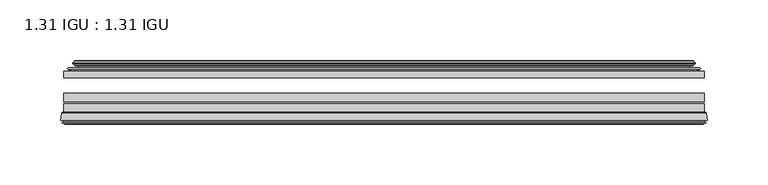
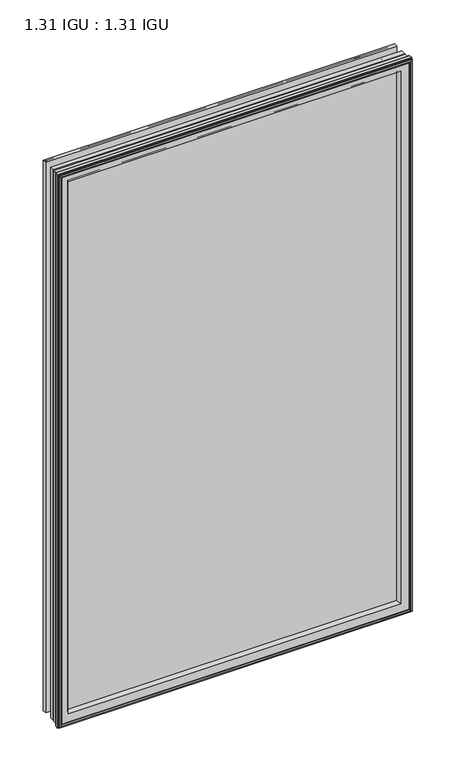
"""IFC4 building model written with IfcOpenShell, lengths in millimetres: plate geometry, 1.31 IGU : 1.31 IGU."""

from ifc_helpers import new_model, si_unit, frame, origin, place, context, project, spatial, polyline, ellipse_curve, outline, extrude, source, transform, mapped, element, save
from ifc_brep_helpers import plane_surface, cylinder_surface, revolved_surface, advanced_brep


def plate_1_31_igu_1_31_igu_83c2d377(model_context):
    return source(origin(), model_context, "Body", "SolidModel", [
        extrude(outline(polyline([(263.5203362, -44.8960875), (263.5203362, -50.4332875), (-263.5252713, -50.4332875), (-263.5252713, -44.8960875), (263.5203362, -44.8960875)])), frame((0.0, 0.0, -14.2875), z_axis=(0.0, 0.0, 1.0), x_axis=(1.0, 0.0, 0.0)), (0.0, 0.0, 1.0), 873.125),
        extrude(outline(polyline([(-263.5252713, -78.7796875), (-263.5252713, -71.7692875), (263.5203362, -71.7692875), (263.5203362, -78.7796875), (-263.5252713, -78.7796875)])), frame((0.0, 0.0, -14.2875), z_axis=(0.0, 0.0, 1.0), x_axis=(1.0, 0.0, 0.0)), (0.0, 0.0, 1.0), 873.125),
        extrude(outline(polyline([(-263.5252713, -70.2452875), (-263.5252713, -63.1332875), (263.5203362, -63.1332875), (263.5203362, -70.2452875), (-263.5252713, -70.2452875)])), frame((0.0, 0.0, -14.2875), z_axis=(0.0, 0.0, 1.0), x_axis=(1.0, 0.0, 0.0)), (0.0, 0.0, 1.0), 873.125),
        advanced_brep(
        [(-266.0721752, -85.1296875, 861.3844039), (-265.3773914, -79.4711276, 860.6896201), (-265.3773914, -79.4711276, -16.1396201), (-266.0721752, -85.1296875, -16.8344039), (-263.6845752, -87.1207518, 858.9968039), (-264.1417752, -85.1296875, 859.4540039), (-264.1417752, -85.1296875, -14.9040039), (-263.6845752, -87.1207518, -14.4468039), (-264.6859371, -86.8524376, 859.9981658), (-264.6859371, -86.8524376, -15.4481658), (-264.9291752, -87.7602147, 860.2414039), (-264.9291752, -87.7602147, -15.6914039), (-262.8971752, -88.3046875, 858.2094039), (-262.8971752, -88.3046875, -13.6594039), (-260.8651752, -87.7602147, 856.1774039), (-260.8651752, -87.7602147, -11.6274039), (-261.1084133, -86.8524376, 856.4206421), (-261.1084133, -86.8524376, -11.8706421), (-262.1097752, -87.1207518, 857.4220039), (-262.1097752, -87.1207518, -12.8720039), (-261.6525752, -85.1296875, 856.9648039), (-261.6525752, -85.1296875, -12.4148039), (-264.5958606, -78.7796875, 859.9080893), (-264.5958606, -78.7796875, -15.3580893), (265.3773914, -79.4711276, -16.1396201), (266.0721752, -85.1296875, -16.8344039), (264.1417752, -85.1296875, -14.9040039), (263.6845752, -87.1207518, -14.4468039), (264.6859371, -86.8524376, -15.4481658), (264.9291752, -87.7602147, -15.6914039), (262.8971752, -88.3046875, -13.6594039), (260.8651752, -87.7602147, -11.6274039), (261.1084133, -86.8524376, -11.8706421), (262.1097752, -87.1207518, -12.8720039), (261.6525752, -85.1296875, -12.4148039), (264.5958606, -78.7796875, -15.3580893), (265.3773914, -79.4711276, 860.6896201), (266.0721752, -85.1296875, 861.3844039), (264.1417752, -85.1296875, 859.4540039), (263.6845752, -87.1207518, 858.9968039), (264.6859371, -86.8524376, 859.9981658), (264.9291752, -87.7602147, 860.2414039), (262.8971752, -88.3046875, 858.2094039), (260.8651752, -87.7602147, 856.1774039), (261.1084133, -86.8524376, 856.4206421), (262.1097752, -87.1207518, 857.4220039), (261.6525752, -85.1296875, 856.9648039), (264.5958606, -78.7796875, 859.9080893), (-249.2499844, -85.1296875, 844.5622131), (249.2499844, -85.1296875, 844.5622131), (249.2499844, -85.1296875, -0.0122131), (-249.2499844, -85.1296875, -0.0122131), (-245.9337075, -78.7796875, 3.3040638), (245.9337075, -78.7796875, 3.3040638), (245.9337075, -78.7796875, 841.2459362), (-245.9337075, -78.7796875, 841.2459362)],
        [
            (0, 1),
            (1, 2),
            (2, 3),
            (3, 0),
            (4, 5),
            (5, 6),
            (6, 7),
            (7, 4),
            (8, 4),
            (7, 9),
            (9, 8),
            (10, 8),
            (9, 11),
            (11, 10),
            (12, 10),
            (11, 13),
            (13, 12),
            (14, 12),
            (13, 15),
            (15, 14),
            (16, 14),
            (15, 17),
            (17, 16),
            (18, 16),
            (17, 19),
            (19, 18),
            (20, 18),
            (19, 21),
            (21, 20),
            (1, 22, ellipse_curve(frame((-264.5958606, -79.5670875, 859.9080893), z_axis=(-0.7071067811865475, 0.0, -0.7071067811865475), x_axis=(-0.7071067811865474, 0.0, 0.7071067811865476)), 1.1135518, 0.7874)),
            (22, 23),
            (23, 2, ellipse_curve(frame((-264.5958606, -79.5670875, -15.3580893), z_axis=(-0.7071067811865475, 0.0, 0.7071067811865475), x_axis=(0.7071067811865474, 0.0, 0.7071067811865476)), 1.1135518, 0.7874)),
            (2, 24),
            (24, 25),
            (25, 3),
            (6, 26),
            (26, 27),
            (27, 7),
            (27, 28),
            (28, 9),
            (28, 29),
            (29, 11),
            (29, 30),
            (30, 13),
            (30, 31),
            (31, 15),
            (31, 32),
            (32, 17),
            (32, 33),
            (33, 19),
            (33, 34),
            (34, 21),
            (23, 35),
            (35, 24, ellipse_curve(frame((264.5958606, -79.5670875, -15.3580893), z_axis=(-0.7071067811865475, 0.0, -0.7071067811865475), x_axis=(-0.7071067811865476, 0.0, 0.7071067811865474)), 1.1135518, 0.7874)),
            (24, 36),
            (36, 37),
            (37, 25),
            (26, 38),
            (38, 39),
            (39, 27),
            (39, 40),
            (40, 28),
            (40, 41),
            (41, 29),
            (41, 42),
            (42, 30),
            (42, 43),
            (43, 31),
            (43, 44),
            (44, 32),
            (44, 45),
            (45, 33),
            (45, 46),
            (46, 34),
            (35, 47),
            (47, 36, ellipse_curve(frame((264.5958606, -79.5670875, 859.9080893), z_axis=(0.7071067811865475, 0.0, -0.7071067811865475), x_axis=(-0.7071067811865474, 0.0, -0.7071067811865476)), 1.1135518, 0.7874)),
            (36, 1),
            (0, 37),
            (5, 38),
            (4, 39),
            (8, 40),
            (10, 41),
            (12, 42),
            (14, 43),
            (16, 44),
            (18, 45),
            (20, 46),
            (48, 49),
            (49, 50),
            (50, 51),
            (51, 48),
            (22, 47),
            (52, 53),
            (53, 54),
            (54, 55),
            (55, 52),
            (55, 48, ellipse_curve(frame((-238.0006895, -86.963653, 833.3129182), z_axis=(0.7071067811865475, 0.0, 0.7071067811865475), x_axis=(0.7071067811865474, 0.0, -0.7071067811865476)), 16.118937, 11.3978097)),
            (51, 52, ellipse_curve(frame((-238.0006895, -86.963653, 11.2370818), z_axis=(0.7071067811865475, 0.0, -0.7071067811865475), x_axis=(-0.7071067811865474, 0.0, -0.7071067811865476)), 16.118937, 11.3978097)),
            (50, 53, ellipse_curve(frame((238.0006895, -86.963653, 11.2370818), z_axis=(0.7071067811865475, 0.0, 0.7071067811865475), x_axis=(0.7071067811865476, 0.0, -0.7071067811865474)), 16.118937, 11.3978097)),
            (49, 54, ellipse_curve(frame((238.0006895, -86.963653, 833.3129182), z_axis=(-0.7071067811865475, 0.0, 0.7071067811865475), x_axis=(0.7071067811865474, 0.0, 0.7071067811865476)), 16.118937, 11.3978097)),
        ],
        [
            plane_surface(frame((-265.3773914, -79.4711276, 860.6896201), z_axis=(-0.9925461516413008, 0.1218693434053207, 0.0), x_axis=(0.0, 0.0, -1.0))),
            plane_surface(frame((-264.1417752, -85.1296875, 859.4540039), z_axis=(-0.9746347637895997, -0.22380142361654332, 0.0), x_axis=(0.0, 0.0, -1.0))),
            plane_surface(frame((-263.6845752, -87.1207518, 858.9968039), z_axis=(0.2588190451026679, 0.9659258262890289, 0.0), x_axis=(0.0, 0.0, -1.0))),
            plane_surface(frame((-264.6859371, -86.8524376, 859.9981658), z_axis=(-0.9659258262890449, 0.25881904510260834, 0.0), x_axis=(0.0, 0.0, -1.0))),
            plane_surface(frame((-264.9291752, -87.7602147, 860.2414039), z_axis=(-0.258819045102569, -0.9659258262890554, 0.0), x_axis=(0.0, 0.0, -1.0))),
            plane_surface(frame((-262.8971752, -88.3046875, 858.2094039), z_axis=(0.2588190451024146, -0.9659258262890968, 0.0), x_axis=(0.0, 0.0, -1.0))),
            plane_surface(frame((-260.8651752, -87.7602147, 856.1774039), z_axis=(0.9659258262890272, 0.258819045102674, 0.0), x_axis=(0.0, 0.0, -1.0))),
            plane_surface(frame((-261.1084133, -86.8524376, 856.4206421), z_axis=(-0.2588190451023417, 0.9659258262891163, 0.0), x_axis=(0.0, 0.0, -1.0))),
            plane_surface(frame((-262.1097752, -87.1207518, 857.4220039), z_axis=(0.9746347637895936, -0.2238014236165695, 0.0), x_axis=(0.0, 0.0, -1.0))),
            cylinder_surface(frame((-264.5958606, -79.5670875, 876.3), z_axis=(0.0, 0.0, 1.0), x_axis=(-1.0, 0.0, 0.0)), 0.7874),
            plane_surface(frame((-265.3773914, -79.4711276, -16.1396201), z_axis=(0.0, 0.12186934340531747, -0.9925461516413012), x_axis=(1.0, 0.0, 0.0))),
            plane_surface(frame((-264.1417752, -85.1296875, -14.9040039), z_axis=(0.0, -0.22380142361654648, -0.9746347637895989), x_axis=(1.0, 0.0, 0.0))),
            plane_surface(frame((-263.6845752, -87.1207518, -14.4468039), z_axis=(0.0, 0.9659258262890298, 0.25881904510266474), x_axis=(1.0, 0.0, 0.0))),
            plane_surface(frame((-264.6859371, -86.8524376, -15.4481658), z_axis=(0.0, 0.25881904510260517, -0.9659258262890458), x_axis=(1.0, 0.0, 0.0))),
            plane_surface(frame((-264.9291752, -87.7602147, -15.6914039), z_axis=(0.0, -0.9659258262890563, -0.2588190451025658), x_axis=(1.0, 0.0, 0.0))),
            plane_surface(frame((-262.8971752, -88.3046875, -13.6594039), z_axis=(0.0, -0.965925826289096, 0.25881904510241777), x_axis=(1.0, 0.0, 0.0))),
            plane_surface(frame((-260.8651752, -87.7602147, -11.6274039), z_axis=(0.0, 0.2588190451026772, 0.9659258262890265), x_axis=(1.0, 0.0, 0.0))),
            plane_surface(frame((-261.1084133, -86.8524376, -11.8706421), z_axis=(0.0, 0.9659258262891154, -0.2588190451023449), x_axis=(1.0, 0.0, 0.0))),
            plane_surface(frame((-262.1097752, -87.1207518, -12.8720039), z_axis=(0.0, -0.22380142361656633, 0.9746347637895943), x_axis=(1.0, 0.0, 0.0))),
            cylinder_surface(frame((-280.9877713, -79.5670875, -15.3580893), z_axis=(-1.0, 0.0, 0.0), x_axis=(0.0, 0.0, -1.0)), 0.7874),
            plane_surface(frame((265.3773914, -79.4711276, -16.1396201), z_axis=(0.9925461516413017, 0.12186934340531423, 0.0), x_axis=(0.0, 0.0, 1.0))),
            plane_surface(frame((264.1417752, -85.1296875, -14.9040039), z_axis=(0.9746347637895981, -0.22380142361654964, 0.0), x_axis=(0.0, 0.0, 1.0))),
            plane_surface(frame((263.6845752, -87.1207518, -14.4468039), z_axis=(-0.25881904510266157, 0.9659258262890307, 0.0), x_axis=(0.0, 0.0, 1.0))),
            plane_surface(frame((264.6859371, -86.8524376, -15.4481658), z_axis=(0.9659258262890467, 0.258819045102602, 0.0), x_axis=(0.0, 0.0, 1.0))),
            plane_surface(frame((264.9291752, -87.7602147, -15.6914039), z_axis=(0.25881904510256265, -0.9659258262890572, 0.0), x_axis=(0.0, 0.0, 1.0))),
            plane_surface(frame((262.8971752, -88.3046875, -13.6594039), z_axis=(-0.25881904510242093, -0.9659258262890951, 0.0), x_axis=(0.0, 0.0, 1.0))),
            plane_surface(frame((260.8651752, -87.7602147, -11.6274039), z_axis=(-0.9659258262890256, 0.2588190451026804, 0.0), x_axis=(0.0, 0.0, 1.0))),
            plane_surface(frame((261.1084133, -86.8524376, -11.8706421), z_axis=(0.2588190451023481, 0.9659258262891146, 0.0), x_axis=(0.0, 0.0, 1.0))),
            plane_surface(frame((262.1097752, -87.1207518, -12.8720039), z_axis=(-0.9746347637895951, -0.22380142361656316, 0.0), x_axis=(0.0, 0.0, 1.0))),
            cylinder_surface(frame((264.5958606, -79.5670875, -31.75), z_axis=(0.0, 0.0, -1.0), x_axis=(1.0, 0.0, 0.0)), 0.7874),
            plane_surface(frame((265.3773914, -79.4711276, 860.6896201), z_axis=(0.0, 0.12186934340531747, 0.9925461516413012), x_axis=(-1.0, 0.0, 0.0))),
            plane_surface(frame((266.0721752, -85.1296875, 861.3844039), z_axis=(0.0, -1.0, 0.0), x_axis=(-1.0, 0.0, 0.0))),
            plane_surface(frame((264.1417752, -85.1296875, 859.4540039), z_axis=(0.0, -0.22380142361654648, 0.9746347637895989), x_axis=(-1.0, 0.0, 0.0))),
            plane_surface(frame((263.6845752, -87.1207518, 858.9968039), z_axis=(0.0, 0.9659258262890298, -0.25881904510266474), x_axis=(-1.0, 0.0, 0.0))),
            plane_surface(frame((264.6859371, -86.8524376, 859.9981658), z_axis=(0.0, 0.25881904510260517, 0.9659258262890458), x_axis=(-1.0, 0.0, 0.0))),
            plane_surface(frame((264.9291752, -87.7602147, 860.2414039), z_axis=(0.0, -0.9659258262890563, 0.2588190451025658), x_axis=(-1.0, 0.0, 0.0))),
            plane_surface(frame((262.8971752, -88.3046875, 858.2094039), z_axis=(0.0, -0.965925826289096, -0.25881904510241777), x_axis=(-1.0, 0.0, 0.0))),
            plane_surface(frame((260.8651752, -87.7602147, 856.1774039), z_axis=(0.0, 0.2588190451026772, -0.9659258262890265), x_axis=(-1.0, 0.0, 0.0))),
            plane_surface(frame((261.1084133, -86.8524376, 856.4206421), z_axis=(0.0, 0.9659258262891155, 0.25881904510234494), x_axis=(-1.0, 0.0, 0.0))),
            plane_surface(frame((262.1097752, -87.1207518, 857.4220039), z_axis=(0.0, -0.22380142361656633, -0.9746347637895943), x_axis=(-1.0, 0.0, 0.0))),
            plane_surface(frame((261.6525752, -85.1296875, 856.9648039), z_axis=(0.0, -1.0, 0.0), x_axis=(-1.0, 0.0, 0.0))),
            plane_surface(frame((245.9337075, -78.7796875, 841.2459362), z_axis=(0.0, 1.0, 0.0), x_axis=(-1.0, 0.0, 0.0))),
            cylinder_surface(frame((280.9877713, -79.5670875, 859.9080893), z_axis=(1.0, 0.0, 0.0), x_axis=(0.0, 0.0, 1.0)), 0.7874),
            revolved_surface(polyline([(-249.3984992, -86.963653, -0.1607278582187064), (-249.3984992, -86.963653, 844.7107278582188)]), (-238.0006895, -86.963653, 876.3), (0.0, 0.0, -1.0)),
            revolved_surface(polyline([(249.39849915821873, -86.963653, -0.16072789999999948), (-249.39849915821873, -86.963653, -0.16072789999999948)]), (-280.9877713, -86.963653, 11.2370818), (1.0, 0.0, 0.0)),
            revolved_surface(polyline([(249.3984992, -86.963653, 844.7107278582188), (249.3984992, -86.963653, -0.16072785821874191)]), (238.0006895, -86.963653, -31.75), (0.0, 0.0, 1.0)),
            revolved_surface(polyline([(-249.39849915821873, -86.963653, 844.7107279), (249.39849915821873, -86.963653, 844.7107279)]), (280.9877713, -86.963653, 833.3129182), (-1.0, 0.0, 0.0)),
        ],
        [
            (0, [[1, 2, 3, 4]]),
            (1, [[5, 6, 7, 8]]),
            (2, [[9, -8, 10, 11]]),
            (3, [[12, -11, 13, 14]]),
            (4, [[15, -14, 16, 17]]),
            (5, [[18, -17, 19, 20]]),
            (6, [[21, -20, 22, 23]]),
            (7, [[24, -23, 25, 26]]),
            (8, [[27, -26, 28, 29]]),
            (9, [[30, 31, 32, -2]]),
            (10, [[-3, 33, 34, 35]]),
            (11, [[-7, 36, 37, 38]]),
            (12, [[-10, -38, 39, 40]]),
            (13, [[-13, -40, 41, 42]]),
            (14, [[-16, -42, 43, 44]]),
            (15, [[-19, -44, 45, 46]]),
            (16, [[-22, -46, 47, 48]]),
            (17, [[-25, -48, 49, 50]]),
            (18, [[-28, -50, 51, 52]]),
            (19, [[-32, 53, 54, -33]]),
            (20, [[-34, 55, 56, 57]]),
            (21, [[-37, 58, 59, 60]]),
            (22, [[-39, -60, 61, 62]]),
            (23, [[-41, -62, 63, 64]]),
            (24, [[-43, -64, 65, 66]]),
            (25, [[-45, -66, 67, 68]]),
            (26, [[-47, -68, 69, 70]]),
            (27, [[-49, -70, 71, 72]]),
            (28, [[-51, -72, 73, 74]]),
            (29, [[-54, 75, 76, -55]]),
            (30, [[-56, 77, -1, 78]]),
            (31, [[-35, -57, -78, -4], [79, -58, -36, -6]]),
            (32, [[-59, -79, -5, 80]]),
            (33, [[-61, -80, -9, 81]]),
            (34, [[-63, -81, -12, 82]]),
            (35, [[-65, -82, -15, 83]]),
            (36, [[-67, -83, -18, 84]]),
            (37, [[-69, -84, -21, 85]]),
            (38, [[-71, -85, -24, 86]]),
            (39, [[-73, -86, -27, 87]]),
            (40, [[-52, -74, -87, -29], [88, 89, 90, 91]]),
            (41, [[92, -75, -53, -31], [93, 94, 95, 96]]),
            (42, [[-76, -92, -30, -77]]),
            (43, [[97, -91, 98, -96]]),
            (44, [[-98, -90, 99, -93]]),
            (45, [[-99, -89, 100, -94]]),
            (46, [[-100, -88, -97, -95]]),
        ],
    ),
        advanced_brep(
        [(-254.1799468, -37.7373382, 849.4921755), (-249.2383138, -36.3108875, 844.5505426), (-249.2383138, -36.3108875, -0.0005426), (-254.1799468, -37.7373382, -4.9421755), (-254.0148415, -36.9605789, 849.3270702), (-254.0148415, -36.9605789, -4.7770702), (-254.6103272, -36.4771203, 849.9225559), (-254.6103272, -36.4771203, -5.3725559), (-255.874963, -37.766076, 851.1871917), (-255.874963, -37.766076, -6.6371917), (-255.8641462, -38.8797852, 851.1763749), (-255.8641462, -38.8797852, -6.6263749), (-254.582661, -40.1361433, 849.8948897), (-254.582661, -40.1361433, -5.3448897), (-253.9776542, -39.649943, 849.2898829), (-253.9776542, -39.649943, -4.7398829), (-254.5316684, -39.0959287, 849.8438972), (-254.5316684, -39.0959287, -5.2938972), (-252.24586, -38.7029881, 847.5580887), (-252.24586, -38.7029881, -3.0080887), (-250.7867869, -40.2107282, 846.0990157), (-250.7867869, -40.2107282, -1.5490157), (-251.0833689, -41.651269, 846.3955976), (-251.0833689, -41.651269, -1.8455976), (-251.8545933, -42.2798875, 847.1668221), (-251.8545933, -42.2798875, -2.6168221), (-260.1585697, -43.4871542, 855.4707984), (-259.8833682, -42.2798875, 855.1955969), (-259.8833682, -42.2798875, -10.6455969), (-260.1585697, -43.4871542, -10.9207984), (-256.701001, -44.8960875, 852.0132297), (-256.701001, -44.8960875, -7.4632297), (-245.6033772, -44.023302, 840.9156059), (-245.9587152, -44.8960875, 841.2709439), (-245.9587152, -44.8960875, 3.2790561), (-245.6033772, -44.023302, 3.6343941), (-246.2745752, -43.3681812, 841.586804), (-246.2745752, -43.3681812, 2.963196), (-247.9153658, -40.6686056, 843.2275946), (-247.9153658, -40.6686056, 1.3224054), (249.2383138, -36.3108875, -0.0005426), (254.1799468, -37.7373382, -4.9421755), (254.0148415, -36.9605789, -4.7770702), (254.6103272, -36.4771203, -5.3725559), (255.874963, -37.766076, -6.6371917), (255.8641462, -38.8797852, -6.6263749), (254.582661, -40.1361433, -5.3448897), (253.9776542, -39.649943, -4.7398829), (254.5316684, -39.0959287, -5.2938972), (252.24586, -38.7029881, -3.0080887), (250.7867869, -40.2107282, -1.5490157), (251.0833689, -41.651269, -1.8455976), (251.8545933, -42.2798875, -2.6168221), (259.8833682, -42.2798875, -10.6455969), (260.1585697, -43.4871542, -10.9207984), (256.701001, -44.8960875, -7.4632297), (245.9587152, -44.8960875, 3.2790561), (245.6033772, -44.023302, 3.6343941), (246.2745752, -43.3681812, 2.963196), (247.9153658, -40.6686056, 1.3224054), (249.2383138, -36.3108875, 844.5505426), (254.1799468, -37.7373382, 849.4921755), (254.0148415, -36.9605789, 849.3270702), (254.6103272, -36.4771203, 849.9225559), (255.874963, -37.766076, 851.1871917), (255.8641462, -38.8797852, 851.1763749), (254.582661, -40.1361433, 849.8948897), (253.9776542, -39.649943, 849.2898829), (254.5316684, -39.0959287, 849.8438972), (252.24586, -38.7029881, 847.5580887), (250.7867869, -40.2107282, 846.0990157), (251.0833689, -41.651269, 846.3955976), (251.8545933, -42.2798875, 847.1668221), (259.8833682, -42.2798875, 855.1955969), (260.1585697, -43.4871542, 855.4707984), (256.701001, -44.8960875, 852.0132297), (245.9587152, -44.8960875, 841.2709439), (245.6033772, -44.023302, 840.9156059), (246.2745752, -43.3681812, 841.586804), (247.9153658, -40.6686056, 843.2275946)],
        [
            (0, 1),
            (1, 2),
            (2, 3),
            (3, 0),
            (4, 0),
            (3, 5),
            (5, 4),
            (6, 4, ellipse_curve(frame((-254.3353584, -36.746901, 849.6475871), z_axis=(-0.7071067811865475, 0.0, -0.7071067811865475), x_axis=(-0.7071067811865474, 0.0, 0.7071067811865476)), 0.5447741, 0.3852135)),
            (5, 7, ellipse_curve(frame((-254.3353584, -36.746901, -5.0975871), z_axis=(-0.7071067811865475, 0.0, 0.7071067811865475), x_axis=(0.7071067811865474, 0.0, 0.7071067811865476)), 0.5447741, 0.3852135)),
            (7, 6),
            (8, 6),
            (7, 9),
            (9, 8),
            (10, 8, ellipse_curve(frame((-255.3129099, -38.3175243, 850.6251387), z_axis=(-0.7071067811865475, 0.0, -0.7071067811865475), x_axis=(-0.7071067811865474, 0.0, 0.7071067811865476)), 1.1135518, 0.7874)),
            (9, 11, ellipse_curve(frame((-255.3129099, -38.3175243, -6.0751387), z_axis=(-0.7071067811865475, 0.0, 0.7071067811865475), x_axis=(0.7071067811865474, 0.0, 0.7071067811865476)), 1.1135518, 0.7874)),
            (11, 10),
            (12, 10),
            (11, 13),
            (13, 12),
            (14, 12, ellipse_curve(frame((-254.3090635, -39.8570738, 849.6212922), z_axis=(-0.7071067811865475, 0.0, -0.7071067811865475), x_axis=(-0.7071067811865474, 0.0, 0.7071067811865476)), 0.552694, 0.3908137)),
            (13, 15, ellipse_curve(frame((-254.3090635, -39.8570738, -5.0712922), z_axis=(-0.7071067811865475, 0.0, 0.7071067811865475), x_axis=(0.7071067811865474, 0.0, 0.7071067811865476)), 0.552694, 0.3908137)),
            (15, 14),
            (16, 14),
            (15, 17),
            (17, 16),
            (18, 16),
            (17, 19),
            (19, 18),
            (20, 18, ellipse_curve(frame((-252.0306974, -39.954629, 847.3429261), z_axis=(0.7071067811865475, 0.0, 0.7071067811865475), x_axis=(0.7071067811865474, 0.0, -0.7071067811865476)), 1.7960512, 1.27)),
            (19, 21, ellipse_curve(frame((-252.0306974, -39.954629, -2.7929261), z_axis=(0.7071067811865475, 0.0, -0.7071067811865475), x_axis=(-0.7071067811865474, 0.0, -0.7071067811865476)), 1.7960512, 1.27)),
            (21, 20),
            (22, 20),
            (21, 23),
            (23, 22),
            (24, 22, ellipse_curve(frame((-251.8545933, -41.4924875, 847.1668221), z_axis=(0.7071067811865475, 0.0, 0.7071067811865475), x_axis=(0.7071067811865474, 0.0, -0.7071067811865476)), 1.1135518, 0.7874)),
            (23, 25, ellipse_curve(frame((-251.8545933, -41.4924875, -2.6168221), z_axis=(0.7071067811865475, 0.0, -0.7071067811865475), x_axis=(-0.7071067811865474, 0.0, -0.7071067811865476)), 1.1135518, 0.7874)),
            (25, 24),
            (26, 27, ellipse_curve(frame((-259.8833682, -42.9148875, 855.1955969), z_axis=(-0.7071067811865475, 0.0, -0.7071067811865475), x_axis=(-0.7071067811865474, 0.0, 0.7071067811865476)), 0.8980256, 0.635)),
            (27, 28),
            (28, 29, ellipse_curve(frame((-259.8833682, -42.9148875, -10.6455969), z_axis=(-0.7071067811865475, 0.0, 0.7071067811865475), x_axis=(0.7071067811865474, 0.0, 0.7071067811865476)), 0.8980256, 0.635)),
            (29, 26),
            (30, 26),
            (29, 31),
            (31, 30),
            (32, 33, ellipse_curve(frame((-245.9587152, -44.3873602, 841.2709439), z_axis=(-0.7071067811865475, 0.0, -0.7071067811865475), x_axis=(-0.7071067811865474, 0.0, 0.7071067811865476)), 0.719449, 0.5087273)),
            (33, 34),
            (34, 35, ellipse_curve(frame((-245.9587152, -44.3873602, 3.2790561), z_axis=(-0.7071067811865475, 0.0, 0.7071067811865475), x_axis=(0.7071067811865474, 0.0, 0.7071067811865476)), 0.719449, 0.5087273)),
            (35, 32),
            (36, 32),
            (35, 37),
            (37, 36),
            (38, 36, ellipse_curve(frame((-241.839201, -38.823959, 837.1514298), z_axis=(0.7071067811865475, 0.0, 0.7071067811865475), x_axis=(0.7071067811865474, 0.0, -0.7071067811865476)), 8.9802561, 6.35)),
            (37, 39, ellipse_curve(frame((-241.839201, -38.823959, 7.3985702), z_axis=(0.7071067811865475, 0.0, -0.7071067811865475), x_axis=(-0.7071067811865474, 0.0, -0.7071067811865476)), 8.9802561, 6.35)),
            (39, 38),
            (1, 38),
            (39, 2),
            (2, 40),
            (40, 41),
            (41, 3),
            (41, 42),
            (42, 5),
            (42, 43, ellipse_curve(frame((254.3353584, -36.746901, -5.0975871), z_axis=(-0.7071067811865475, 0.0, -0.7071067811865475), x_axis=(-0.7071067811865476, 0.0, 0.7071067811865474)), 0.5447741, 0.3852135)),
            (43, 7),
            (43, 44),
            (44, 9),
            (44, 45, ellipse_curve(frame((255.3129099, -38.3175243, -6.0751387), z_axis=(-0.7071067811865475, 0.0, -0.7071067811865475), x_axis=(-0.7071067811865476, 0.0, 0.7071067811865474)), 1.1135518, 0.7874)),
            (45, 11),
            (45, 46),
            (46, 13),
            (46, 47, ellipse_curve(frame((254.3090635, -39.8570738, -5.0712922), z_axis=(-0.7071067811865475, 0.0, -0.7071067811865475), x_axis=(-0.7071067811865476, 0.0, 0.7071067811865474)), 0.552694, 0.3908137)),
            (47, 15),
            (47, 48),
            (48, 17),
            (48, 49),
            (49, 19),
            (49, 50, ellipse_curve(frame((252.0306974, -39.954629, -2.7929261), z_axis=(0.7071067811865475, 0.0, 0.7071067811865475), x_axis=(0.7071067811865476, 0.0, -0.7071067811865474)), 1.7960512, 1.27)),
            (50, 21),
            (50, 51),
            (51, 23),
            (51, 52, ellipse_curve(frame((251.8545933, -41.4924875, -2.6168221), z_axis=(0.7071067811865475, 0.0, 0.7071067811865475), x_axis=(0.7071067811865476, 0.0, -0.7071067811865474)), 1.1135518, 0.7874)),
            (52, 25),
            (28, 53),
            (53, 54, ellipse_curve(frame((259.8833682, -42.9148875, -10.6455969), z_axis=(-0.7071067811865475, 0.0, -0.7071067811865475), x_axis=(-0.7071067811865476, 0.0, 0.7071067811865474)), 0.8980256, 0.635)),
            (54, 29),
            (54, 55),
            (55, 31),
            (34, 56),
            (56, 57, ellipse_curve(frame((245.9587152, -44.3873602, 3.2790561), z_axis=(-0.7071067811865475, 0.0, -0.7071067811865475), x_axis=(-0.7071067811865476, 0.0, 0.7071067811865474)), 0.719449, 0.5087273)),
            (57, 35),
            (57, 58),
            (58, 37),
            (58, 59, ellipse_curve(frame((241.839201, -38.823959, 7.3985702), z_axis=(0.7071067811865475, 0.0, 0.7071067811865475), x_axis=(0.7071067811865476, 0.0, -0.7071067811865474)), 8.9802561, 6.35)),
            (59, 39),
            (59, 40),
            (40, 60),
            (60, 61),
            (61, 41),
            (61, 62),
            (62, 42),
            (62, 63, ellipse_curve(frame((254.3353584, -36.746901, 849.6475871), z_axis=(0.7071067811865475, 0.0, -0.7071067811865475), x_axis=(-0.7071067811865474, 0.0, -0.7071067811865476)), 0.5447741, 0.3852135)),
            (63, 43),
            (63, 64),
            (64, 44),
            (64, 65, ellipse_curve(frame((255.3129099, -38.3175243, 850.6251387), z_axis=(0.7071067811865475, 0.0, -0.7071067811865475), x_axis=(-0.7071067811865474, 0.0, -0.7071067811865476)), 1.1135518, 0.7874)),
            (65, 45),
            (65, 66),
            (66, 46),
            (66, 67, ellipse_curve(frame((254.3090635, -39.8570738, 849.6212922), z_axis=(0.7071067811865475, 0.0, -0.7071067811865475), x_axis=(-0.7071067811865474, 0.0, -0.7071067811865476)), 0.552694, 0.3908137)),
            (67, 47),
            (67, 68),
            (68, 48),
            (68, 69),
            (69, 49),
            (69, 70, ellipse_curve(frame((252.0306974, -39.954629, 847.3429261), z_axis=(-0.7071067811865475, 0.0, 0.7071067811865475), x_axis=(0.7071067811865474, 0.0, 0.7071067811865476)), 1.7960512, 1.27)),
            (70, 50),
            (70, 71),
            (71, 51),
            (71, 72, ellipse_curve(frame((251.8545933, -41.4924875, 847.1668221), z_axis=(-0.7071067811865475, 0.0, 0.7071067811865475), x_axis=(0.7071067811865474, 0.0, 0.7071067811865476)), 1.1135518, 0.7874)),
            (72, 52),
            (53, 73),
            (73, 74, ellipse_curve(frame((259.8833682, -42.9148875, 855.1955969), z_axis=(0.7071067811865475, 0.0, -0.7071067811865475), x_axis=(-0.7071067811865474, 0.0, -0.7071067811865476)), 0.8980256, 0.635)),
            (74, 54),
            (74, 75),
            (75, 55),
            (56, 76),
            (76, 77, ellipse_curve(frame((245.9587152, -44.3873602, 841.2709439), z_axis=(0.7071067811865475, 0.0, -0.7071067811865475), x_axis=(-0.7071067811865474, 0.0, -0.7071067811865476)), 0.719449, 0.5087273)),
            (77, 57),
            (77, 78),
            (78, 58),
            (78, 79, ellipse_curve(frame((241.839201, -38.823959, 837.1514298), z_axis=(-0.7071067811865475, 0.0, 0.7071067811865475), x_axis=(0.7071067811865474, 0.0, 0.7071067811865476)), 8.9802561, 6.35)),
            (79, 59),
            (79, 60),
            (60, 1),
            (0, 61),
            (4, 62),
            (6, 63),
            (8, 64),
            (10, 65),
            (12, 66),
            (14, 67),
            (16, 68),
            (18, 69),
            (20, 70),
            (22, 71),
            (24, 72),
            (27, 73),
            (26, 74),
            (30, 75),
            (33, 76),
            (32, 77),
            (36, 78),
            (38, 79),
        ],
        [
            plane_surface(frame((-249.2383138, -36.3108875, 844.5505426), z_axis=(-0.27733649284928463, 0.9607728502273879, 0.0), x_axis=(0.0, 0.0, -1.0))),
            plane_surface(frame((-254.1799468, -37.7373382, 849.4921755), z_axis=(0.9781476007338358, -0.20791169081761773, 0.0), x_axis=(0.0, 0.0, -1.0))),
            cylinder_surface(frame((-254.3353584, -36.746901, 876.3), z_axis=(0.0, 0.0, 1.0), x_axis=(-1.0, 0.0, 0.0)), 0.3852135),
            plane_surface(frame((-254.6103272, -36.4771203, 849.9225559), z_axis=(-0.7138087599382162, 0.7003406701280929, 0.0), x_axis=(0.0, 0.0, -1.0))),
            cylinder_surface(frame((-255.3129099, -38.3175243, 876.3), z_axis=(0.0, 0.0, 1.0), x_axis=(-1.0, 0.0, 0.0)), 0.7874),
            plane_surface(frame((-255.8641462, -38.8797852, 851.1763749), z_axis=(-0.7000714109283733, -0.7140728391423082, 0.0), x_axis=(0.0, 0.0, -1.0))),
            cylinder_surface(frame((-254.3090635, -39.8570738, 876.3), z_axis=(0.0, 0.0, 1.0), x_axis=(-1.0, 0.0, 0.0)), 0.3908137),
            plane_surface(frame((-253.9776542, -39.649943, 849.2898829), z_axis=(0.7071067811861126, 0.7071067811869826, 0.0), x_axis=(0.0, 0.0, -1.0))),
            plane_surface(frame((-254.5316684, -39.0959287, 849.8438972), z_axis=(0.16941940671011482, -0.9855440449974789, 0.0), x_axis=(0.0, 0.0, -1.0))),
            revolved_surface(polyline([(-253.30069740000002, -39.954629, -4.0629260828783345), (-253.30069740000002, -39.954629, 848.6129260828783)]), (-252.0306974, -39.954629, 876.3), (0.0, 0.0, -1.0)),
            plane_surface(frame((-250.7867869, -40.2107282, 846.0990157), z_axis=(-0.9794570432566897, 0.20165292067030202, 0.0), x_axis=(0.0, 0.0, -1.0))),
            revolved_surface(polyline([(-252.6419933, -41.4924875, -3.4042221289824965), (-252.6419933, -41.4924875, 847.9542221289825)]), (-251.8545933, -41.4924875, 876.3), (0.0, 0.0, -1.0)),
            cylinder_surface(frame((-259.8833682, -42.9148875, 876.3), z_axis=(0.0, 0.0, 1.0), x_axis=(-1.0, 0.0, 0.0)), 0.635),
            plane_surface(frame((-260.1585697, -43.4871542, 855.4707984), z_axis=(-0.37736447542757934, -0.9260648209954139, 0.0), x_axis=(0.0, 0.0, -1.0))),
            cylinder_surface(frame((-245.9587152, -44.3873602, 876.3), z_axis=(0.0, 0.0, 1.0), x_axis=(-1.0, 0.0, 0.0)), 0.5087273),
            plane_surface(frame((-245.6033772, -44.023302, 840.9156059), z_axis=(0.698484125849927, 0.7156255486884628, 0.0), x_axis=(0.0, 0.0, -1.0))),
            revolved_surface(polyline([(-248.189201, -38.823959, 1.0485702148981773), (-248.189201, -38.823959, 843.5014297851018)]), (-241.839201, -38.823959, 876.3), (0.0, 0.0, -1.0)),
            plane_surface(frame((-247.9153658, -40.6686056, 843.2275946), z_axis=(0.956876347351701, 0.2904955350411895, 0.0), x_axis=(0.0, 0.0, -1.0))),
            plane_surface(frame((-249.2383138, -36.3108875, -0.0005426), z_axis=(0.0, 0.960772850227387, -0.27733649284928774), x_axis=(1.0, 0.0, 0.0))),
            plane_surface(frame((-254.1799468, -37.7373382, -4.9421755), z_axis=(0.0, -0.20791169081761454, 0.9781476007338364), x_axis=(1.0, 0.0, 0.0))),
            cylinder_surface(frame((-280.9877713, -36.746901, -5.0975871), z_axis=(-1.0, 0.0, 0.0), x_axis=(0.0, 0.0, -1.0)), 0.3852135),
            plane_surface(frame((-254.6103272, -36.4771203, -5.3725559), z_axis=(0.0, 0.7003406701280904, -0.7138087599382185), x_axis=(1.0, 0.0, 0.0))),
            cylinder_surface(frame((-280.9877713, -38.3175243, -6.0751387), z_axis=(-1.0, 0.0, 0.0), x_axis=(0.0, 0.0, -1.0)), 0.7874),
            plane_surface(frame((-255.8641462, -38.8797852, -6.6263749), z_axis=(0.0, -0.7140728391423106, -0.700071410928371), x_axis=(1.0, 0.0, 0.0))),
            cylinder_surface(frame((-280.9877713, -39.8570738, -5.0712922), z_axis=(-1.0, 0.0, 0.0), x_axis=(0.0, 0.0, -1.0)), 0.3908137),
            plane_surface(frame((-253.9776542, -39.649943, -4.7398829), z_axis=(0.0, 0.7071067811869849, 0.7071067811861103), x_axis=(1.0, 0.0, 0.0))),
            plane_surface(frame((-254.5316684, -39.0959287, -5.2938972), z_axis=(0.0, -0.9855440449974784, 0.16941940671011801), x_axis=(1.0, 0.0, 0.0))),
            revolved_surface(polyline([(253.30069738287835, -39.954629, -4.0629261), (-253.30069738287824, -39.954629, -4.0629261)]), (-280.9877713, -39.954629, -2.7929261), (1.0, 0.0, 0.0)),
            plane_surface(frame((-250.7867869, -40.2107282, -1.5490157), z_axis=(0.0, 0.20165292067029883, -0.9794570432566904), x_axis=(1.0, 0.0, 0.0))),
            revolved_surface(polyline([(252.64199332898244, -41.4924875, -3.4042220999999997), (-252.6419933289825, -41.4924875, -3.4042220999999997)]), (-280.9877713, -41.4924875, -2.6168221), (1.0, 0.0, 0.0)),
            cylinder_surface(frame((-280.9877713, -42.9148875, -10.6455969), z_axis=(-1.0, 0.0, 0.0), x_axis=(0.0, 0.0, -1.0)), 0.635),
            plane_surface(frame((-260.1585697, -43.4871542, -10.9207984), z_axis=(0.0, -0.9260648209954151, -0.37736447542757634), x_axis=(1.0, 0.0, 0.0))),
            cylinder_surface(frame((-280.9877713, -44.3873602, 3.2790561), z_axis=(-1.0, 0.0, 0.0), x_axis=(0.0, 0.0, -1.0)), 0.5087273),
            plane_surface(frame((-245.6033772, -44.023302, 3.6343941), z_axis=(0.0, 0.7156255486884651, 0.6984841258499247), x_axis=(1.0, 0.0, 0.0))),
            revolved_surface(polyline([(248.18920098510188, -38.823959, 1.0485702000000003), (-248.18920098510188, -38.823959, 1.0485702000000003)]), (-280.9877713, -38.823959, 7.3985702), (1.0, 0.0, 0.0)),
            plane_surface(frame((-247.9153658, -40.6686056, 1.3224054), z_axis=(0.0, 0.29049553504119263, 0.9568763473517), x_axis=(1.0, 0.0, 0.0))),
            plane_surface(frame((249.2383138, -36.3108875, -0.0005426), z_axis=(0.27733649284929085, 0.9607728502273861, 0.0), x_axis=(0.0, 0.0, 1.0))),
            plane_surface(frame((254.1799468, -37.7373382, -4.9421755), z_axis=(-0.9781476007338371, -0.20791169081761135, 0.0), x_axis=(0.0, 0.0, 1.0))),
            cylinder_surface(frame((254.3353584, -36.746901, -31.75), z_axis=(0.0, 0.0, -1.0), x_axis=(1.0, 0.0, 0.0)), 0.3852135),
            plane_surface(frame((254.6103272, -36.4771203, -5.3725559), z_axis=(0.7138087599382208, 0.7003406701280881, 0.0), x_axis=(0.0, 0.0, 1.0))),
            cylinder_surface(frame((255.3129099, -38.3175243, -31.75), z_axis=(0.0, 0.0, -1.0), x_axis=(1.0, 0.0, 0.0)), 0.7874),
            plane_surface(frame((255.8641462, -38.8797852, -6.6263749), z_axis=(0.7000714109283687, -0.7140728391423129, 0.0), x_axis=(0.0, 0.0, 1.0))),
            cylinder_surface(frame((254.3090635, -39.8570738, -31.75), z_axis=(0.0, 0.0, -1.0), x_axis=(1.0, 0.0, 0.0)), 0.3908137),
            plane_surface(frame((253.9776542, -39.649943, -4.7398829), z_axis=(-0.7071067811861079, 0.7071067811869872, 0.0), x_axis=(0.0, 0.0, 1.0))),
            plane_surface(frame((254.5316684, -39.0959287, -5.2938972), z_axis=(-0.1694194067101212, -0.9855440449974778, 0.0), x_axis=(0.0, 0.0, 1.0))),
            revolved_surface(polyline([(253.30069740000002, -39.954629, 848.6129260828783), (253.30069740000002, -39.954629, -4.062926082878235)]), (252.0306974, -39.954629, -31.75), (0.0, 0.0, 1.0)),
            plane_surface(frame((250.7867869, -40.2107282, -1.5490157), z_axis=(0.979457043256691, 0.20165292067029564, 0.0), x_axis=(0.0, 0.0, 1.0))),
            revolved_surface(polyline([(252.6419933, -41.4924875, 847.9542221289825), (252.6419933, -41.4924875, -3.404222128982486)]), (251.8545933, -41.4924875, -31.75), (0.0, 0.0, 1.0)),
            cylinder_surface(frame((259.8833682, -42.9148875, -31.75), z_axis=(0.0, 0.0, -1.0), x_axis=(1.0, 0.0, 0.0)), 0.635),
            plane_surface(frame((260.1585697, -43.4871542, -10.9207984), z_axis=(0.37736447542757334, -0.9260648209954163, 0.0), x_axis=(0.0, 0.0, 1.0))),
            cylinder_surface(frame((245.9587152, -44.3873602, -31.75), z_axis=(0.0, 0.0, -1.0), x_axis=(1.0, 0.0, 0.0)), 0.5087273),
            plane_surface(frame((245.6033772, -44.023302, 3.6343941), z_axis=(-0.6984841258499224, 0.7156255486884673, 0.0), x_axis=(0.0, 0.0, 1.0))),
            revolved_surface(polyline([(248.189201, -38.823959, 843.5014297851018), (248.189201, -38.823959, 1.0485702148981417)]), (241.839201, -38.823959, -31.75), (0.0, 0.0, 1.0)),
            plane_surface(frame((247.9153658, -40.6686056, 1.3224054), z_axis=(-0.9568763473516991, 0.2904955350411958, 0.0), x_axis=(0.0, 0.0, 1.0))),
            plane_surface(frame((249.2383138, -36.3108875, 844.5505426), z_axis=(0.0, 0.960772850227387, 0.27733649284928774), x_axis=(-1.0, 0.0, 0.0))),
            plane_surface(frame((254.1799468, -37.7373382, 849.4921755), z_axis=(0.0, -0.20791169081761454, -0.9781476007338364), x_axis=(-1.0, 0.0, 0.0))),
            cylinder_surface(frame((280.9877713, -36.746901, 849.6475871), z_axis=(1.0, 0.0, 0.0), x_axis=(0.0, 0.0, 1.0)), 0.3852135),
            plane_surface(frame((254.6103272, -36.4771203, 849.9225559), z_axis=(0.0, 0.7003406701280904, 0.7138087599382185), x_axis=(-1.0, 0.0, 0.0))),
            cylinder_surface(frame((280.9877713, -38.3175243, 850.6251387), z_axis=(1.0, 0.0, 0.0), x_axis=(0.0, 0.0, 1.0)), 0.7874),
            plane_surface(frame((255.8641462, -38.8797852, 851.1763749), z_axis=(0.0, -0.7140728391423106, 0.700071410928371), x_axis=(-1.0, 0.0, 0.0))),
            cylinder_surface(frame((280.9877713, -39.8570738, 849.6212922), z_axis=(1.0, 0.0, 0.0), x_axis=(0.0, 0.0, 1.0)), 0.3908137),
            plane_surface(frame((253.9776542, -39.649943, 849.2898829), z_axis=(0.0, 0.7071067811869849, -0.7071067811861103), x_axis=(-1.0, 0.0, 0.0))),
            plane_surface(frame((254.5316684, -39.0959287, 849.8438972), z_axis=(0.0, -0.9855440449974784, -0.16941940671011801), x_axis=(-1.0, 0.0, 0.0))),
            revolved_surface(polyline([(-253.30069738287835, -39.954629, 848.6129261), (253.30069738287824, -39.954629, 848.6129261)]), (280.9877713, -39.954629, 847.3429261), (-1.0, 0.0, 0.0)),
            plane_surface(frame((250.7867869, -40.2107282, 846.0990157), z_axis=(0.0, 0.20165292067029883, 0.9794570432566904), x_axis=(-1.0, 0.0, 0.0))),
            revolved_surface(polyline([(-252.64199332898244, -41.4924875, 847.9542221), (252.6419933289825, -41.4924875, 847.9542221)]), (280.9877713, -41.4924875, 847.1668221), (-1.0, 0.0, 0.0)),
            plane_surface(frame((251.8545933, -42.2798875, 847.1668221), z_axis=(0.0, 1.0, 0.0), x_axis=(-1.0, 0.0, 0.0))),
            cylinder_surface(frame((280.9877713, -42.9148875, 855.1955969), z_axis=(1.0, 0.0, 0.0), x_axis=(0.0, 0.0, 1.0)), 0.635),
            plane_surface(frame((260.1585697, -43.4871542, 855.4707984), z_axis=(0.0, -0.9260648209954151, 0.37736447542757634), x_axis=(-1.0, 0.0, 0.0))),
            plane_surface(frame((256.701001, -44.8960875, 852.0132297), z_axis=(0.0, -1.0, 0.0), x_axis=(-1.0, 0.0, 0.0))),
            cylinder_surface(frame((280.9877713, -44.3873602, 841.2709439), z_axis=(1.0, 0.0, 0.0), x_axis=(0.0, 0.0, 1.0)), 0.5087273),
            plane_surface(frame((245.6033772, -44.023302, 840.9156059), z_axis=(0.0, 0.7156255486884651, -0.6984841258499247), x_axis=(-1.0, 0.0, 0.0))),
            revolved_surface(polyline([(-248.18920098510188, -38.823959, 843.5014298), (248.18920098510188, -38.823959, 843.5014298)]), (280.9877713, -38.823959, 837.1514298), (-1.0, 0.0, 0.0)),
            plane_surface(frame((247.9153658, -40.6686056, 843.2275946), z_axis=(0.0, 0.2904955350411927, -0.9568763473517001), x_axis=(-1.0, 0.0, 0.0))),
        ],
        [
            (0, [[1, 2, 3, 4]]),
            (1, [[5, -4, 6, 7]]),
            (2, [[8, -7, 9, 10]]),
            (3, [[11, -10, 12, 13]]),
            (4, [[14, -13, 15, 16]]),
            (5, [[17, -16, 18, 19]]),
            (6, [[20, -19, 21, 22]]),
            (7, [[23, -22, 24, 25]]),
            (8, [[26, -25, 27, 28]]),
            (9, [[29, -28, 30, 31]]),
            (10, [[32, -31, 33, 34]]),
            (11, [[35, -34, 36, 37]]),
            (12, [[38, 39, 40, 41]]),
            (13, [[42, -41, 43, 44]]),
            (14, [[45, 46, 47, 48]]),
            (15, [[49, -48, 50, 51]]),
            (16, [[52, -51, 53, 54]]),
            (17, [[55, -54, 56, -2]]),
            (18, [[-3, 57, 58, 59]]),
            (19, [[-6, -59, 60, 61]]),
            (20, [[-9, -61, 62, 63]]),
            (21, [[-12, -63, 64, 65]]),
            (22, [[-15, -65, 66, 67]]),
            (23, [[-18, -67, 68, 69]]),
            (24, [[-21, -69, 70, 71]]),
            (25, [[-24, -71, 72, 73]]),
            (26, [[-27, -73, 74, 75]]),
            (27, [[-30, -75, 76, 77]]),
            (28, [[-33, -77, 78, 79]]),
            (29, [[-36, -79, 80, 81]]),
            (30, [[-40, 82, 83, 84]]),
            (31, [[-43, -84, 85, 86]]),
            (32, [[-47, 87, 88, 89]]),
            (33, [[-50, -89, 90, 91]]),
            (34, [[-53, -91, 92, 93]]),
            (35, [[-56, -93, 94, -57]]),
            (36, [[-58, 95, 96, 97]]),
            (37, [[-60, -97, 98, 99]]),
            (38, [[-62, -99, 100, 101]]),
            (39, [[-64, -101, 102, 103]]),
            (40, [[-66, -103, 104, 105]]),
            (41, [[-68, -105, 106, 107]]),
            (42, [[-70, -107, 108, 109]]),
            (43, [[-72, -109, 110, 111]]),
            (44, [[-74, -111, 112, 113]]),
            (45, [[-76, -113, 114, 115]]),
            (46, [[-78, -115, 116, 117]]),
            (47, [[-80, -117, 118, 119]]),
            (48, [[-83, 120, 121, 122]]),
            (49, [[-85, -122, 123, 124]]),
            (50, [[-88, 125, 126, 127]]),
            (51, [[-90, -127, 128, 129]]),
            (52, [[-92, -129, 130, 131]]),
            (53, [[-94, -131, 132, -95]]),
            (54, [[-96, 133, -1, 134]]),
            (55, [[-98, -134, -5, 135]]),
            (56, [[-100, -135, -8, 136]]),
            (57, [[-102, -136, -11, 137]]),
            (58, [[-104, -137, -14, 138]]),
            (59, [[-106, -138, -17, 139]]),
            (60, [[-108, -139, -20, 140]]),
            (61, [[-110, -140, -23, 141]]),
            (62, [[-112, -141, -26, 142]]),
            (63, [[-114, -142, -29, 143]]),
            (64, [[-116, -143, -32, 144]]),
            (65, [[-118, -144, -35, 145]]),
            (66, [[146, -120, -82, -39], [-81, -119, -145, -37]]),
            (67, [[-121, -146, -38, 147]]),
            (68, [[-123, -147, -42, 148]]),
            (69, [[-86, -124, -148, -44], [149, -125, -87, -46]]),
            (70, [[-126, -149, -45, 150]]),
            (71, [[-128, -150, -49, 151]]),
            (72, [[-130, -151, -52, 152]]),
            (73, [[-132, -152, -55, -133]]),
        ],
    ),
    ])


if __name__ == "__main__":
    model = new_model("IFC4")
    model_context = context("Model", 3, world=origin())
    ifc_project = project(units=[si_unit("LENGTHUNIT", "METRE", prefix="MILLI")], contexts=[model_context])
    site = spatial("IfcSite", under=ifc_project)
    building = spatial("IfcBuilding", under=site)
    placement = place(None, origin())
    plate_1_31_igu_1_31_igu_shape = plate_1_31_igu_1_31_igu_83c2d377(model_context)
    element("IfcPlate", 1, ObjectType="1.31 IGU : 1.31 IGU", at=placement, inside=building, context=model_context, shape_type="MappedRepresentation", body=[
        mapped(plate_1_31_igu_1_31_igu_shape, transform((0.0, 0.0, 0.0), x_axis=(1.0, 0.0, 0.0), y_axis=(0.0, 1.0, 0.0), z_axis=(0.0, 0.0, 1.0))),
    ])
    save(model, "model.ifc")
